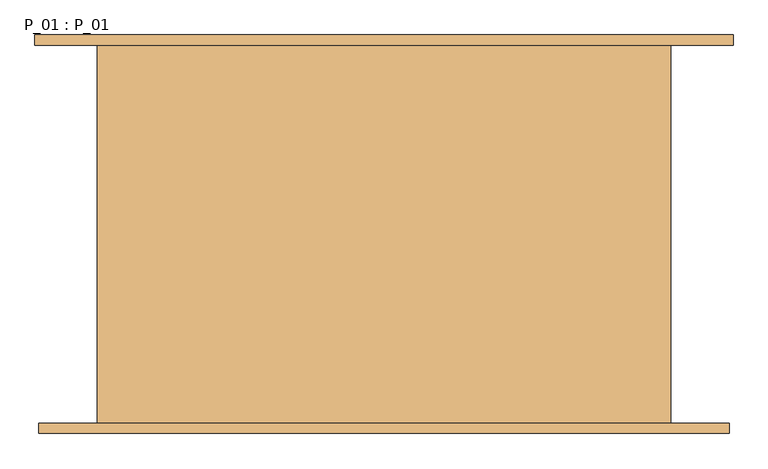
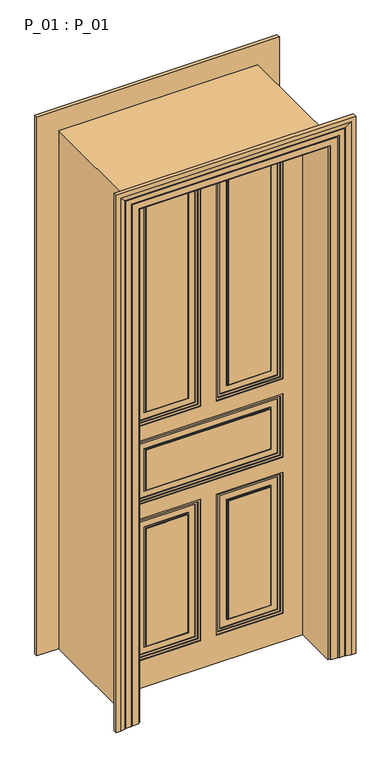
"""IFC4 building model written with IfcOpenShell, lengths in millimetres: door geometry, P_01 : P_01."""

from ifc_helpers import new_model, si_unit, frame, origin, origin_with_axes, place, context, project, spatial, polyline, outline, extrude, faceted_brep, source, transform, mapped, element, save


def p_01_p_01_b032705c(model_context):
    return source(origin(), model_context, "Body", "SolidModel", [
        extrude(outline(polyline([(2300.0, 45.0), (1235.0, 45.0), (1235.0, 320.0), (2300.0, 320.0), (2300.0, 45.0)]), holes=[polyline([(2290.0, 55.0), (2290.0, 310.0), (1245.0, 310.0), (1245.0, 55.0), (2290.0, 55.0)])]), frame((0.0, -75.0, 0.0), z_axis=(0.0, 1.0, 0.0), x_axis=(0.0, 0.0, 1.0)), (0.0, 0.0, 1.0), 4.0),
        extrude(outline(polyline([(2300.0, -320.0), (1235.0, -320.0), (1235.0, -45.0), (2300.0, -45.0), (2300.0, -320.0)]), holes=[polyline([(2290.0, -310.0), (2290.0, -55.0), (1245.0, -55.0), (1245.0, -310.0), (2290.0, -310.0)])]), frame((0.0, -75.0, 0.0), z_axis=(0.0, 1.0, 0.0), x_axis=(0.0, 0.0, 1.0)), (0.0, 0.0, 1.0), 4.0),
        extrude(outline(polyline([(780.0, 45.0), (140.0, 45.0), (140.0, 320.0), (780.0, 320.0), (780.0, 45.0)]), holes=[polyline([(770.0, 55.0), (770.0, 310.0), (150.0, 310.0), (150.0, 55.0), (770.0, 55.0)])]), frame((0.0, -75.0, 0.0), z_axis=(0.0, 1.0, 0.0), x_axis=(0.0, 0.0, 1.0)), (0.0, 0.0, 1.0), 4.0),
        extrude(outline(polyline([(780.0, -320.0), (140.0, -320.0), (140.0, -45.0), (780.0, -45.0), (780.0, -320.0)]), holes=[polyline([(770.0, -310.0), (770.0, -55.0), (150.0, -55.0), (150.0, -310.0), (770.0, -310.0)])]), frame((0.0, -75.0, 0.0), z_axis=(0.0, 1.0, 0.0), x_axis=(0.0, 0.0, 1.0)), (0.0, 0.0, 1.0), 4.0),
        extrude(outline(polyline([(740.0, 85.0), (180.0, 85.0), (180.0, 280.0), (740.0, 280.0), (740.0, 85.0)]), holes=[polyline([(735.0, 90.0), (735.0, 275.0), (185.0, 275.0), (185.0, 90.0), (735.0, 90.0)])]), frame((0.0, -75.0, 0.0), z_axis=(0.0, 1.0, 0.0), x_axis=(0.0, 0.0, 1.0)), (0.0, 0.0, 1.0), 4.0),
        extrude(outline(polyline([(740.0, -280.0), (180.0, -280.0), (180.0, -85.0), (740.0, -85.0), (740.0, -280.0)]), holes=[polyline([(735.0, -275.0), (735.0, -90.0), (185.0, -90.0), (185.0, -275.0), (735.0, -275.0)])]), frame((0.0, -75.0, 0.0), z_axis=(0.0, 1.0, 0.0), x_axis=(0.0, 0.0, 1.0)), (0.0, 0.0, 1.0), 4.0),
        extrude(outline(polyline([(1145.0, -320.0), (870.0, -320.0), (870.0, 320.0), (1145.0, 320.0), (1145.0, -320.0)]), holes=[polyline([(1135.0, -310.0), (1135.0, 310.0), (880.0, 310.0), (880.0, -310.0), (1135.0, -310.0)])]), frame((0.0, -75.0, 0.0), z_axis=(0.0, 1.0, 0.0), x_axis=(0.0, 0.0, 1.0)), (0.0, 0.0, 1.0), 4.0),
        extrude(outline(polyline([(1105.0, -280.0), (910.0, -280.0), (910.0, 280.0), (1105.0, 280.0), (1105.0, -280.0)]), holes=[polyline([(1100.0, -275.0), (1100.0, 275.0), (915.0, 275.0), (915.0, -275.0), (1100.0, -275.0)])]), frame((0.0, -75.0, 0.0), z_axis=(0.0, 1.0, 0.0), x_axis=(0.0, 0.0, 1.0)), (0.0, 0.0, 1.0), 4.0),
        extrude(outline(polyline([(2260.0, 85.0), (1275.0, 85.0), (1275.0, 280.0), (2260.0, 280.0), (2260.0, 85.0)]), holes=[polyline([(2255.0, 90.0), (2255.0, 275.0), (1280.0, 275.0), (1280.0, 90.0), (2255.0, 90.0)])]), frame((0.0, -75.0, 0.0), z_axis=(0.0, 1.0, 0.0), x_axis=(0.0, 0.0, 1.0)), (0.0, 0.0, 1.0), 4.0),
        extrude(outline(polyline([(1275.0, -280.0), (1275.0, -85.0), (2260.0, -85.0), (2260.0, -280.0), (1275.0, -280.0)]), holes=[polyline([(1280.0, -275.0), (2255.0, -275.0), (2255.0, -90.0), (1280.0, -90.0), (1280.0, -275.0)])]), frame((0.0, -75.0, 0.0), z_axis=(0.0, 1.0, 0.0), x_axis=(0.0, 0.0, 1.0)), (0.0, 0.0, 1.0), 4.0),
        extrude(outline(polyline([(90.0, -75.0), (90.0, -67.0), (275.0, -67.0), (275.0, -75.0), (90.0, -75.0)])), frame((0.0, 0.0, 185.0), z_axis=(0.0, 0.0, 1.0), x_axis=(1.0, 0.0, 0.0)), (0.0, 0.0, 1.0), 550.0),
        extrude(outline(polyline([(-275.0, -75.0), (-275.0, -67.0), (-90.0, -67.0), (-90.0, -75.0), (-275.0, -75.0)])), frame((0.0, 0.0, 185.0), z_axis=(0.0, 0.0, 1.0), x_axis=(1.0, 0.0, 0.0)), (0.0, 0.0, 1.0), 550.0),
        extrude(outline(polyline([(-275.0, -75.0), (-275.0, -67.0), (275.0, -67.0), (275.0, -75.0), (-275.0, -75.0)])), frame((0.0, 0.0, 915.0), z_axis=(0.0, 0.0, 1.0), x_axis=(1.0, 0.0, 0.0)), (0.0, 0.0, 1.0), 185.0),
        extrude(outline(polyline([(90.0, -75.0), (90.0, -67.0), (275.0, -67.0), (275.0, -75.0), (90.0, -75.0)])), frame((0.0, 0.0, 1280.0), z_axis=(0.0, 0.0, 1.0), x_axis=(1.0, 0.0, 0.0)), (0.0, 0.0, 1.0), 975.0),
        extrude(outline(polyline([(-275.0, -75.0), (-275.0, -67.0), (-90.0, -67.0), (-90.0, -75.0), (-275.0, -75.0)])), frame((0.0, 0.0, 1280.0), z_axis=(0.0, 0.0, 1.0), x_axis=(1.0, 0.0, 0.0)), (0.0, 0.0, 1.0), 975.0),
        extrude(outline(polyline([(2310.0, -35.0), (2310.0, -330.0), (1225.0, -330.0), (1225.0, -35.0), (2310.0, -35.0)]), holes=[polyline([(2300.0, -320.0), (2300.0, -45.0), (1235.0, -45.0), (1235.0, -320.0), (2300.0, -320.0)])]), frame((0.0, -75.0, 0.0), z_axis=(0.0, 1.0, 0.0), x_axis=(0.0, 0.0, 1.0)), (0.0, 0.0, 1.0), 8.0),
        extrude(outline(polyline([(1225.0, 330.0), (2310.0, 330.0), (2310.0, 35.0), (1225.0, 35.0), (1225.0, 330.0)]), holes=[polyline([(2300.0, 45.0), (2300.0, 320.0), (1235.0, 320.0), (1235.0, 45.0), (2300.0, 45.0)])]), frame((0.0, -75.0, 0.0), z_axis=(0.0, 1.0, 0.0), x_axis=(0.0, 0.0, 1.0)), (0.0, 0.0, 1.0), 8.0),
        extrude(outline(polyline([(790.0, -330.0), (130.0, -330.0), (130.0, -35.0), (790.0, -35.0), (790.0, -330.0)]), holes=[polyline([(780.0, -320.0), (780.0, -45.0), (140.0, -45.0), (140.0, -320.0), (780.0, -320.0)])]), frame((0.0, -75.0, 0.0), z_axis=(0.0, 1.0, 0.0), x_axis=(0.0, 0.0, 1.0)), (0.0, 0.0, 1.0), 8.0),
        extrude(outline(polyline([(130.0, 330.0), (790.0, 330.0), (790.0, 35.0), (130.0, 35.0), (130.0, 330.0)]), holes=[polyline([(780.0, 45.0), (780.0, 320.0), (140.0, 320.0), (140.0, 45.0), (780.0, 45.0)])]), frame((0.0, -75.0, 0.0), z_axis=(0.0, 1.0, 0.0), x_axis=(0.0, 0.0, 1.0)), (0.0, 0.0, 1.0), 8.0),
        extrude(outline(polyline([(1155.0, -330.0), (860.0, -330.0), (860.0, 330.0), (1155.0, 330.0), (1155.0, -330.0)]), holes=[polyline([(1145.0, -320.0), (1145.0, 320.0), (870.0, 320.0), (870.0, -320.0), (1145.0, -320.0)])]), frame((0.0, -75.0, 0.0), z_axis=(0.0, 1.0, 0.0), x_axis=(0.0, 0.0, 1.0)), (0.0, 0.0, 1.0), 8.0),
        extrude(outline(polyline([(0.0, 415.0), (2395.0, 415.0), (2395.0, -415.0), (0.0, -415.0), (0.0, 415.0)]), holes=[polyline([(1225.0, -35.0), (1225.0, -330.0), (2310.0, -330.0), (2310.0, -35.0), (1225.0, -35.0)]), polyline([(790.0, -35.0), (130.0, -35.0), (130.0, -330.0), (790.0, -330.0), (790.0, -35.0)]), polyline([(1225.0, 35.0), (2310.0, 35.0), (2310.0, 330.0), (1225.0, 330.0), (1225.0, 35.0)]), polyline([(130.0, 35.0), (790.0, 35.0), (790.0, 330.0), (130.0, 330.0), (130.0, 35.0)]), polyline([(1155.0, 330.0), (860.0, 330.0), (860.0, -330.0), (1155.0, -330.0), (1155.0, 330.0)])]), frame((0.0, -75.0, 0.0), z_axis=(0.0, 1.0, 0.0), x_axis=(0.0, 0.0, 1.0)), (0.0, 0.0, 1.0), 12.0),
        extrude(outline(polyline([(275.0, -85.0), (275.0, -93.0), (90.0, -93.0), (90.0, -85.0), (275.0, -85.0)])), frame((0.0, 0.0, 185.0), z_axis=(0.0, 0.0, 1.0), x_axis=(1.0, 0.0, 0.0)), (0.0, 0.0, 1.0), 550.0),
        extrude(outline(polyline([(-90.0, -85.0), (-90.0, -93.0), (-275.0, -93.0), (-275.0, -85.0), (-90.0, -85.0)])), frame((0.0, 0.0, 185.0), z_axis=(0.0, 0.0, 1.0), x_axis=(1.0, 0.0, 0.0)), (0.0, 0.0, 1.0), 550.0),
        extrude(outline(polyline([(275.0, -85.0), (275.0, -93.0), (-275.0, -93.0), (-275.0, -85.0), (275.0, -85.0)])), frame((0.0, 0.0, 915.0), z_axis=(0.0, 0.0, 1.0), x_axis=(1.0, 0.0, 0.0)), (0.0, 0.0, 1.0), 185.0),
        extrude(outline(polyline([(275.0, -85.0), (275.0, -93.0), (90.0, -93.0), (90.0, -85.0), (275.0, -85.0)])), frame((0.0, 0.0, 1280.0), z_axis=(0.0, 0.0, 1.0), x_axis=(1.0, 0.0, 0.0)), (0.0, 0.0, 1.0), 975.0),
        extrude(outline(polyline([(-90.0, -85.0), (-90.0, -93.0), (-275.0, -93.0), (-275.0, -85.0), (-90.0, -85.0)])), frame((0.0, 0.0, 1280.0), z_axis=(0.0, 0.0, 1.0), x_axis=(1.0, 0.0, 0.0)), (0.0, 0.0, 1.0), 975.0),
        extrude(outline(polyline([(420.0, -75.0), (420.0, -85.0), (-420.0, -85.0), (-420.0, -75.0), (420.0, -75.0)])), origin_with_axes(), (0.0, 0.0, 1.0), 2400.0),
        extrude(outline(polyline([(2300.0, 45.0), (1235.0, 45.0), (1235.0, 320.0), (2300.0, 320.0), (2300.0, 45.0)]), holes=[polyline([(2290.0, 55.0), (2290.0, 310.0), (1245.0, 310.0), (1245.0, 55.0), (2290.0, 55.0)])]), frame((0.0, -89.0, 0.0), z_axis=(0.0, 1.0, 0.0), x_axis=(0.0, 0.0, 1.0)), (0.0, 0.0, 1.0), 4.0),
        extrude(outline(polyline([(2300.0, -320.0), (1235.0, -320.0), (1235.0, -45.0), (2300.0, -45.0), (2300.0, -320.0)]), holes=[polyline([(2290.0, -310.0), (2290.0, -55.0), (1245.0, -55.0), (1245.0, -310.0), (2290.0, -310.0)])]), frame((0.0, -89.0, 0.0), z_axis=(0.0, 1.0, 0.0), x_axis=(0.0, 0.0, 1.0)), (0.0, 0.0, 1.0), 4.0),
        extrude(outline(polyline([(780.0, 45.0), (140.0, 45.0), (140.0, 320.0), (780.0, 320.0), (780.0, 45.0)]), holes=[polyline([(770.0, 55.0), (770.0, 310.0), (150.0, 310.0), (150.0, 55.0), (770.0, 55.0)])]), frame((0.0, -89.0, 0.0), z_axis=(0.0, 1.0, 0.0), x_axis=(0.0, 0.0, 1.0)), (0.0, 0.0, 1.0), 4.0),
        extrude(outline(polyline([(780.0, -320.0), (140.0, -320.0), (140.0, -45.0), (780.0, -45.0), (780.0, -320.0)]), holes=[polyline([(770.0, -310.0), (770.0, -55.0), (150.0, -55.0), (150.0, -310.0), (770.0, -310.0)])]), frame((0.0, -89.0, 0.0), z_axis=(0.0, 1.0, 0.0), x_axis=(0.0, 0.0, 1.0)), (0.0, 0.0, 1.0), 4.0),
        extrude(outline(polyline([(740.0, 85.0), (180.0, 85.0), (180.0, 280.0), (740.0, 280.0), (740.0, 85.0)]), holes=[polyline([(735.0, 90.0), (735.0, 275.0), (185.0, 275.0), (185.0, 90.0), (735.0, 90.0)])]), frame((0.0, -89.0, 0.0), z_axis=(0.0, 1.0, 0.0), x_axis=(0.0, 0.0, 1.0)), (0.0, 0.0, 1.0), 4.0),
        extrude(outline(polyline([(740.0, -280.0), (180.0, -280.0), (180.0, -85.0), (740.0, -85.0), (740.0, -280.0)]), holes=[polyline([(735.0, -275.0), (735.0, -90.0), (185.0, -90.0), (185.0, -275.0), (735.0, -275.0)])]), frame((0.0, -89.0, 0.0), z_axis=(0.0, 1.0, 0.0), x_axis=(0.0, 0.0, 1.0)), (0.0, 0.0, 1.0), 4.0),
        extrude(outline(polyline([(1145.0, -320.0), (870.0, -320.0), (870.0, 320.0), (1145.0, 320.0), (1145.0, -320.0)]), holes=[polyline([(1135.0, -310.0), (1135.0, 310.0), (880.0, 310.0), (880.0, -310.0), (1135.0, -310.0)])]), frame((0.0, -89.0, 0.0), z_axis=(0.0, 1.0, 0.0), x_axis=(0.0, 0.0, 1.0)), (0.0, 0.0, 1.0), 4.0),
        extrude(outline(polyline([(1105.0, -280.0), (910.0, -280.0), (910.0, 280.0), (1105.0, 280.0), (1105.0, -280.0)]), holes=[polyline([(1100.0, -275.0), (1100.0, 275.0), (915.0, 275.0), (915.0, -275.0), (1100.0, -275.0)])]), frame((0.0, -89.0, 0.0), z_axis=(0.0, 1.0, 0.0), x_axis=(0.0, 0.0, 1.0)), (0.0, 0.0, 1.0), 4.0),
        extrude(outline(polyline([(2260.0, 85.0), (1275.0, 85.0), (1275.0, 280.0), (2260.0, 280.0), (2260.0, 85.0)]), holes=[polyline([(2255.0, 90.0), (2255.0, 275.0), (1280.0, 275.0), (1280.0, 90.0), (2255.0, 90.0)])]), frame((0.0, -89.0, 0.0), z_axis=(0.0, 1.0, 0.0), x_axis=(0.0, 0.0, 1.0)), (0.0, 0.0, 1.0), 4.0),
        extrude(outline(polyline([(1275.0, -280.0), (1275.0, -85.0), (2260.0, -85.0), (2260.0, -280.0), (1275.0, -280.0)]), holes=[polyline([(1280.0, -275.0), (2255.0, -275.0), (2255.0, -90.0), (1280.0, -90.0), (1280.0, -275.0)])]), frame((0.0, -89.0, 0.0), z_axis=(0.0, 1.0, 0.0), x_axis=(0.0, 0.0, 1.0)), (0.0, 0.0, 1.0), 4.0),
        extrude(outline(polyline([(2310.0, -35.0), (2310.0, -330.0), (1225.0, -330.0), (1225.0, -35.0), (2310.0, -35.0)]), holes=[polyline([(2300.0, -320.0), (2300.0, -45.0), (1235.0, -45.0), (1235.0, -320.0), (2300.0, -320.0)])]), frame((0.0, -93.0, 0.0), z_axis=(0.0, 1.0, 0.0), x_axis=(0.0, 0.0, 1.0)), (0.0, 0.0, 1.0), 8.0),
        extrude(outline(polyline([(1225.0, 330.0), (2310.0, 330.0), (2310.0, 35.0), (1225.0, 35.0), (1225.0, 330.0)]), holes=[polyline([(2300.0, 45.0), (2300.0, 320.0), (1235.0, 320.0), (1235.0, 45.0), (2300.0, 45.0)])]), frame((0.0, -93.0, 0.0), z_axis=(0.0, 1.0, 0.0), x_axis=(0.0, 0.0, 1.0)), (0.0, 0.0, 1.0), 8.0),
        extrude(outline(polyline([(790.0, -330.0), (130.0, -330.0), (130.0, -35.0), (790.0, -35.0), (790.0, -330.0)]), holes=[polyline([(780.0, -320.0), (780.0, -45.0), (140.0, -45.0), (140.0, -320.0), (780.0, -320.0)])]), frame((0.0, -93.0, 0.0), z_axis=(0.0, 1.0, 0.0), x_axis=(0.0, 0.0, 1.0)), (0.0, 0.0, 1.0), 8.0),
        extrude(outline(polyline([(130.0, 330.0), (790.0, 330.0), (790.0, 35.0), (130.0, 35.0), (130.0, 330.0)]), holes=[polyline([(780.0, 45.0), (780.0, 320.0), (140.0, 320.0), (140.0, 45.0), (780.0, 45.0)])]), frame((0.0, -93.0, 0.0), z_axis=(0.0, 1.0, 0.0), x_axis=(0.0, 0.0, 1.0)), (0.0, 0.0, 1.0), 8.0),
        extrude(outline(polyline([(1155.0, -330.0), (860.0, -330.0), (860.0, 330.0), (1155.0, 330.0), (1155.0, -330.0)]), holes=[polyline([(1145.0, -320.0), (1145.0, 320.0), (870.0, 320.0), (870.0, -320.0), (1145.0, -320.0)])]), frame((0.0, -93.0, 0.0), z_axis=(0.0, 1.0, 0.0), x_axis=(0.0, 0.0, 1.0)), (0.0, 0.0, 1.0), 8.0),
        extrude(outline(polyline([(0.0, 415.0), (2395.0, 415.0), (2395.0, -415.0), (0.0, -415.0), (0.0, 415.0)]), holes=[polyline([(1225.0, -35.0), (1225.0, -330.0), (2310.0, -330.0), (2310.0, -35.0), (1225.0, -35.0)]), polyline([(790.0, -35.0), (130.0, -35.0), (130.0, -330.0), (790.0, -330.0), (790.0, -35.0)]), polyline([(1225.0, 35.0), (2310.0, 35.0), (2310.0, 330.0), (1225.0, 330.0), (1225.0, 35.0)]), polyline([(130.0, 35.0), (790.0, 35.0), (790.0, 330.0), (130.0, 330.0), (130.0, 35.0)]), polyline([(1155.0, 330.0), (860.0, 330.0), (860.0, -330.0), (1155.0, -330.0), (1155.0, 330.0)])]), frame((0.0, -97.0, 0.0), z_axis=(0.0, 1.0, 0.0), x_axis=(0.0, 0.0, 1.0)), (0.0, 0.0, 1.0), 12.0),
        extrude(outline(polyline([(0.0, 420.0), (2400.0, 420.0), (2400.0, -420.0), (0.0, -420.0), (0.0, -415.0), (2395.0, -415.0), (2395.0, 415.0), (0.0, 415.0), (0.0, 420.0)])), frame((0.0, -90.0, 0.0), z_axis=(0.0, 1.0, 0.0), x_axis=(0.0, 0.0, 1.0)), (0.0, 0.0, 1.0), 5.0),
        faceted_brep([(530.0, -290.0, 0.0), (530.0, -306.0, 0.0), (510.0, -306.0, 0.0), (490.0, -302.0291126, 0.0), (490.0, -301.0291126, 0.0), (485.0, -301.0291126, 0.0), (485.0, -300.0291126, 0.0), (461.0, -300.0291126, 0.0), (461.0, -299.0291126, 0.0), (456.0, -299.0291126, 0.0), (456.0, -298.0291126, 0.0), (426.0, -298.0291126, 0.0), (426.0, -290.0, 0.0), (416.0, -290.0, 0.0), (416.0, 290.0, 0.0), (426.0, 290.0, 0.0), (426.0, 298.0291126, 0.0), (456.0, 298.0291126, 0.0), (456.0, 299.0291126, 0.0), (461.0, 299.0291126, 0.0), (461.0, 300.0291126, 0.0), (491.0, 300.0291126, 0.0), (491.0, 301.0291126, 0.0), (496.0, 301.0291126, 0.0), (496.0, 302.0291126, 0.0), (516.0, 306.0, 0.0), (536.0, 306.0, 0.0), (536.0, 290.0, 0.0), (440.0, 290.0, 0.0), (440.0, -290.0, 0.0), (440.0, -290.0, 2420.0), (-440.0, -290.0, 2420.0), (-440.0, -290.0, 0.0), (-530.0, -290.0, 0.0), (-530.0, -290.0, 2510.0), (530.0, -290.0, 2510.0), (440.0, 290.0, 2420.0), (536.0, 290.0, 2516.0), (-536.0, 290.0, 2516.0), (-536.0, 290.0, 0.0), (-440.0, 290.0, 0.0), (-440.0, 290.0, 2420.0), (536.0, 306.0, 2516.0), (516.0, 306.0, 2496.0), (-516.0, 306.0, 2496.0), (-516.0, 306.0, 0.0), (-536.0, 306.0, 0.0), (-536.0, 306.0, 2516.0), (496.0, 302.0291126, 2476.0), (496.0, 301.0291126, 2476.0), (491.0, 301.0291126, 2471.0), (-491.0, 301.0291126, 2471.0), (-491.0, 301.0291126, 0.0), (-496.0, 301.0291126, 0.0), (-496.0, 301.0291126, 2476.0), (491.0, 300.0291126, 2471.0), (461.0, 300.0291126, 2441.0), (-461.0, 300.0291126, 2441.0), (-461.0, 300.0291126, 0.0), (-491.0, 300.0291126, 0.0), (-491.0, 300.0291126, 2471.0), (461.0, 299.0291126, 2441.0), (456.0, 299.0291126, 2436.0), (-456.0, 299.0291126, 2436.0), (-456.0, 299.0291126, 0.0), (-461.0, 299.0291126, 0.0), (-461.0, 299.0291126, 2441.0), (456.0, 298.0291126, 2436.0), (426.0, 298.0291126, 2406.0), (-426.0, 298.0291126, 2406.0), (-426.0, 298.0291126, 0.0), (-456.0, 298.0291126, 0.0), (-456.0, 298.0291126, 2436.0), (426.0, 290.0, 2406.0), (416.0, 290.0, 2396.0), (-416.0, 290.0, 2396.0), (-416.0, 290.0, 0.0), (-426.0, 290.0, 0.0), (-426.0, 290.0, 2406.0), (416.0, -290.0, 2396.0), (426.0, -290.0, 2406.0), (-426.0, -290.0, 2406.0), (-426.0, -290.0, 0.0), (-416.0, -290.0, 0.0), (-416.0, -290.0, 2396.0), (426.0, -298.0291126, 2406.0), (456.0, -298.0291126, 2436.0), (-456.0, -298.0291126, 2436.0), (-456.0, -298.0291126, 0.0), (-426.0, -298.0291126, 0.0), (-426.0, -298.0291126, 2406.0), (456.0, -299.0291126, 2436.0), (461.0, -299.0291126, 2441.0), (-461.0, -299.0291126, 2441.0), (-461.0, -299.0291126, 0.0), (-456.0, -299.0291126, 0.0), (-456.0, -299.0291126, 2436.0), (461.0, -300.0291126, 2441.0), (485.0, -300.0291126, 2465.0), (-485.0, -300.0291126, 2465.0), (-485.0, -300.0291126, 0.0), (-461.0, -300.0291126, 0.0), (-461.0, -300.0291126, 2441.0), (485.0, -301.0291126, 2465.0), (490.0, -301.0291126, 2470.0), (-490.0, -301.0291126, 2470.0), (-490.0, -301.0291126, 0.0), (-485.0, -301.0291126, 0.0), (-485.0, -301.0291126, 2465.0), (490.0, -302.0291126, 2470.0), (510.0, -306.0, 2490.0), (530.0, -306.0, 2510.0), (-530.0, -306.0, 2510.0), (-530.0, -306.0, 0.0), (-510.0, -306.0, 0.0), (-510.0, -306.0, 2490.0), (-496.0, 302.0291126, 0.0), (-490.0, -302.0291126, 0.0), (-490.0, -302.0291126, 2470.0), (-496.0, 302.0291126, 2476.0)], [[[0, 1, 2, 3, 4, 5, 6, 7, 8, 9, 10, 11, 12, 13, 14, 15, 16, 17, 18, 19, 20, 21, 22, 23, 24, 25, 26, 27, 28, 29]], [[29, 30, 31, 32, 33, 34, 35, 0]], [[28, 36, 30, 29]], [[27, 37, 38, 39, 40, 41, 36, 28]], [[26, 42, 37, 27]], [[25, 43, 44, 45, 46, 47, 42, 26]], [[24, 48, 43, 25]], [[23, 49, 48, 24]], [[22, 50, 51, 52, 53, 54, 49, 23]], [[21, 55, 50, 22]], [[20, 56, 57, 58, 59, 60, 55, 21]], [[19, 61, 56, 20]], [[18, 62, 63, 64, 65, 66, 61, 19]], [[17, 67, 62, 18]], [[16, 68, 69, 70, 71, 72, 67, 17]], [[15, 73, 68, 16]], [[14, 74, 75, 76, 77, 78, 73, 15]], [[13, 79, 74, 14]], [[12, 80, 81, 82, 83, 84, 79, 13]], [[11, 85, 80, 12]], [[10, 86, 87, 88, 89, 90, 85, 11]], [[9, 91, 86, 10]], [[8, 92, 93, 94, 95, 96, 91, 9]], [[7, 97, 92, 8]], [[6, 98, 99, 100, 101, 102, 97, 7]], [[5, 103, 98, 6]], [[4, 104, 105, 106, 107, 108, 103, 5]], [[3, 109, 104, 4]], [[2, 110, 109, 3]], [[1, 111, 112, 113, 114, 115, 110, 2]], [[0, 35, 111, 1]], [[34, 33, 113, 112]], [[33, 32, 40, 39, 46, 45, 116, 53, 52, 59, 58, 65, 64, 71, 70, 77, 76, 83, 82, 89, 88, 95, 94, 101, 100, 107, 106, 117, 114, 113]], [[41, 40, 32, 31]], [[78, 77, 70, 69]], [[84, 83, 76, 75]], [[90, 89, 82, 81]], [[115, 114, 117, 118]], [[118, 117, 106, 105]], [[108, 107, 100, 99]], [[102, 101, 94, 93]], [[96, 95, 88, 87]], [[72, 71, 64, 63]], [[66, 65, 58, 57]], [[60, 59, 52, 51]], [[54, 53, 116, 119]], [[119, 116, 45, 44]], [[47, 46, 39, 38]], [[35, 34, 112, 111]], [[36, 41, 31, 30]], [[73, 78, 69, 68]], [[79, 84, 75, 74]], [[85, 90, 81, 80]], [[91, 96, 87, 86]], [[97, 102, 93, 92]], [[103, 108, 99, 98]], [[109, 118, 105, 104]], [[110, 115, 118, 109]], [[42, 47, 38, 37]], [[48, 119, 44, 43]], [[49, 54, 119, 48]], [[55, 60, 51, 50]], [[61, 66, 57, 56]], [[67, 72, 63, 62]]]),
    ])


if __name__ == "__main__":
    model = new_model("IFC4")
    model_context = context("Model", 3, world=origin())
    ifc_project = project(units=[si_unit("LENGTHUNIT", "METRE", prefix="MILLI")], contexts=[model_context])
    site = spatial("IfcSite", under=ifc_project)
    building = spatial("IfcBuilding", under=site)
    placement = place(None, origin())
    p_01_p_01_shape = p_01_p_01_b032705c(model_context)
    element("IfcDoor", 1, ObjectType="P_01 : P_01", at=placement, inside=building, context=model_context, shape_type="MappedRepresentation", body=[
        mapped(p_01_p_01_shape, transform((0.0, 0.0, 0.0), x_axis=(1.0, 0.0, 0.0), y_axis=(0.0, 1.0, 0.0), z_axis=(0.0, 0.0, 1.0))),
    ])
    save(model, "model.ifc")
